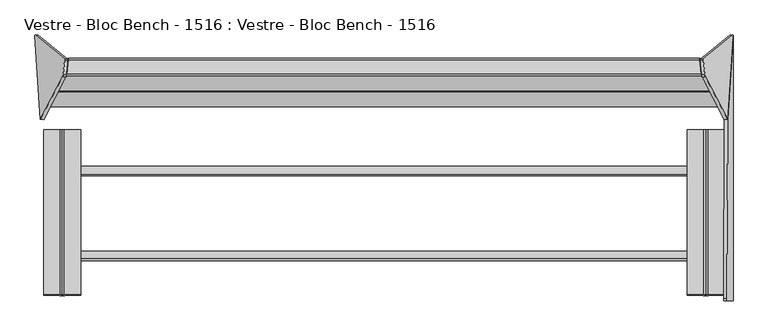
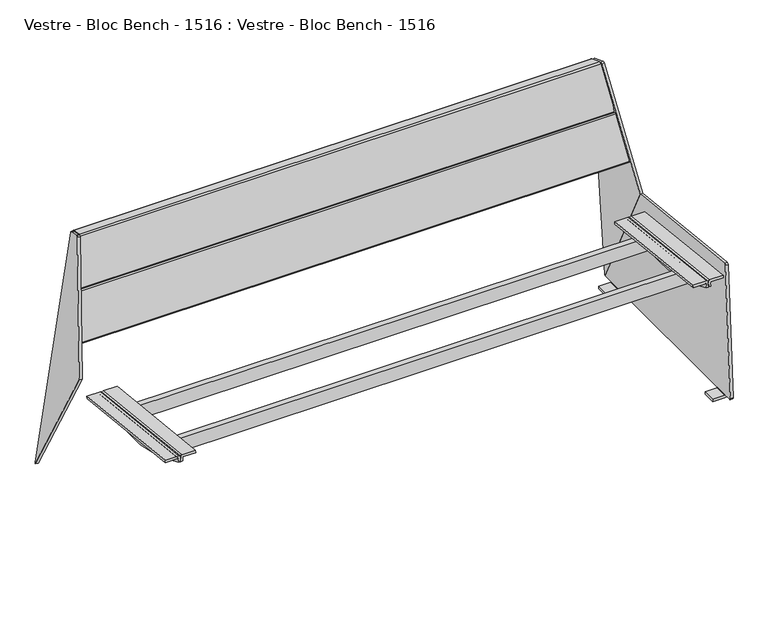
"""IFC4 building model written with IfcOpenShell, lengths in millimetres: furniture geometry, Vestre - Bloc Bench - 1516 : Vestre - Bloc Bench - 1516."""

from ifc_helpers import new_model, si_unit, frame, origin, place, context, project, spatial, polyline, circle_curve, ellipse_curve, outline, extrude, source, transform, mapped, element, save
from ifc_brep_helpers import plane_surface, cylinder_surface, revolved_surface, advanced_brep


def vestre_bloc_bench_1516_vestre_bloc_bench_1516_2a947542(model_context):
    return source(origin(), model_context, "Body", "SolidModel", [
        extrude(outline(polyline([(0.0, -19.9999999), (0.0, 0.0), (1612.8148813, 0.0), (1612.8148813, -19.9999999), (0.0, -19.9999999)])), frame((806.271869, -17.9230139, 331.2273795), z_axis=(0.0, 0.10862274800818965, 0.9940830441241564), x_axis=(-1.0, 0.0, 0.0)), (0.0, 0.0, 1.0), 40.0),
        extrude(outline(polyline([(0.0, -20.0), (0.0, 0.0), (1612.8148813, 0.0), (1612.8148813, -20.0), (0.0, -20.0)])), frame((806.271869, -232.1337214, 354.6340312), z_axis=(0.0, 0.10862274800818968, 0.9940830441241564), x_axis=(-1.0, 0.0, 0.0)), (0.0, 0.0, 1.0), 40.0),
        advanced_brep(
        [(766.5577736, -318.9102447, 412.772865), (766.5577736, -319.7193007, 405.3521172), (805.5963377, -319.7193007, 405.3521172), (806.5474184, -319.8223825, 404.4066392), (806.5474184, -321.0984876, 392.7020678), (812.5430123, -321.0984876, 392.7020678), (812.5430123, -319.8564605, 404.0940726), (812.5430123, -319.3437805, 408.7964286), (808.5430123, -318.9102447, 412.772865), (766.5577736, 98.750138, 367.236938), (808.5430123, 98.750138, 367.236938), (812.5430123, 98.3166022, 363.2605016), (812.5430123, 97.8039221, 358.5581456), (812.5430123, 96.5595156, 347.1443157), (806.5474184, 96.5595156, 347.1443157), (806.5474184, 97.8380001, 358.8707122), (805.5963377, 97.941082, 359.8161902), (766.5577736, 97.941082, 359.8161902)],
        [
            (0, 1),
            (1, 2),
            (2, 3, circle_curve(frame((805.5963377, -319.8223825, 404.4066392), z_axis=(0.0, 0.9941091089617909, -0.10838394474826071), x_axis=(0.0, -0.10838394474826071, -0.9941091089617909)), 0.9510807)),
            (3, 4),
            (4, 5),
            (5, 6),
            (6, 7),
            (7, 8, circle_curve(frame((808.5430123, -319.3437805, 408.7964286), z_axis=(0.0, -0.9941091089617909, 0.10838394474826071), x_axis=(0.0, -0.10838394474826071, -0.9941091089617909)), 4.0)),
            (8, 0),
            (9, 10),
            (10, 11, circle_curve(frame((808.5430123, 98.3166022, 363.2605016), z_axis=(0.0, 0.9941091089617909, -0.10838394474826071), x_axis=(0.0, -0.10838394474826071, -0.9941091089617909)), 4.0)),
            (11, 12),
            (12, 13),
            (13, 14),
            (14, 15),
            (15, 16, circle_curve(frame((805.5963377, 97.8380001, 358.8707122), z_axis=(0.0, -0.9941091089617909, 0.10838394474826071), x_axis=(0.0, -0.10838394474826071, -0.9941091089617909)), 0.9510807)),
            (16, 17),
            (17, 9),
            (0, 9),
            (17, 1),
            (16, 2),
            (15, 3),
            (14, 4, circle_curve(frame((806.5474184, -59.7670647, 851.2475639), z_axis=(-1.0, 0.0, 0.0), x_axis=(0.0, -1.0, 0.0)), 527.7860216)),
            (5, 13, circle_curve(frame((812.5430123, -59.7670647, 851.2475639), z_axis=(1.0, 0.0, 0.0), x_axis=(0.0, -1.0, 0.0)), 527.7860216)),
            (12, 6),
            (11, 7),
            (10, 8),
        ],
        [
            plane_surface(frame((766.5577736, -319.8423819, 404.223203), z_axis=(0.0, -0.9941091089617909, 0.10838394474826071), x_axis=(0.0, -0.10838394474826071, -0.9941091089617909))),
            plane_surface(frame((766.5577736, 97.8180007, 358.6872759), z_axis=(0.0, 0.9941091089617909, -0.10838394474826071), x_axis=(0.0, 0.10838394474826071, 0.9941091089617909))),
            plane_surface(frame((766.5577736, -318.9102447, 412.772865), z_axis=(-1.0000000000000002, 0.0, 0.0), x_axis=(0.0, 0.994109108961791, -0.10838394474826066))),
            plane_surface(frame((766.5577736, -319.7193007, 405.3521172), z_axis=(0.0, -0.10838394474826069, -0.994109108961791), x_axis=(0.0, 0.994109108961791, -0.10838394474826069))),
            revolved_surface(polyline([(805.5963377, 97.73491824228601, 357.9252342105562), (805.5963377, -319.92546445485533, 403.46116123677587)]), (805.5963377, 97.8380001, 358.8707122), (0.0, 0.9941091089617909, -0.10838394474826071)),
            plane_surface(frame((806.5474184, -319.8223825, 404.4066392), z_axis=(-1.0000000000000002, 0.0, 0.0), x_axis=(0.0, 0.994109108961791, -0.10838394474826064))),
            plane_surface(frame((812.5430123, -320.2027771, 400.9176199), z_axis=(1.0000000000000002, 0.0, 0.0), x_axis=(0.0, 0.994109108961791, -0.10838394474826066))),
            plane_surface(frame((812.5430123, -319.8564605, 404.0940726), z_axis=(1.0000000000000002, 0.0, 0.0), x_axis=(0.0, 0.994109108961791, -0.10838394474826066))),
            cylinder_surface(frame((808.5430123, 98.3166022, 363.2605016), z_axis=(0.0, -0.9941091089617909, 0.10838394474826071), x_axis=(0.0, -0.10838394474826071, -0.9941091089617909)), 4.0),
            plane_surface(frame((808.5430123, -318.9102447, 412.772865), z_axis=(0.0, 0.10838394474826066, 0.994109108961791), x_axis=(0.0, 0.994109108961791, -0.10838394474826066))),
            cylinder_surface(frame((806.5474184, -59.7670647, 851.2475639), z_axis=(1.0, 0.0, 0.0), x_axis=(0.0, -1.0, 0.0)), 527.7860216),
        ],
        [
            (0, [[1, 2, 3, 4, 5, 6, 7, 8, 9]]),
            (1, [[10, 11, 12, 13, 14, 15, 16, 17, 18]]),
            (2, [[-1, 19, -18, 20]]),
            (3, [[-2, -20, -17, 21]]),
            (4, [[-3, -21, -16, 22]]),
            (5, [[-4, -22, -15, 23]]),
            (6, [[-6, 24, -13, 25]]),
            (7, [[-7, -25, -12, 26]]),
            (8, [[-8, -26, -11, 27]]),
            (9, [[-9, -27, -10, -19]]),
            (10, [[-24, -5, -23, -14]]),
        ],
    ),
        advanced_brep(
        [(813.6175866, 96.5595156, 347.1443157), (813.6175866, -321.0984876, 392.7020678), (813.6175866, -319.360624, 408.6419375), (813.6175866, 98.2997586, 363.1060105), (819.6131806, -321.0984876, 392.7020678), (819.6131806, 96.5595156, 347.1443157), (819.6131806, 97.8380001, 358.8707122), (819.6131806, -319.8223825, 404.4066392), (820.5642613, -319.7193007, 405.3521172), (859.6028254, -319.7193007, 405.3521172), (859.6028254, -318.9270883, 412.6183739), (817.6175866, -318.9270883, 412.6183739), (817.6175866, 98.7332944, 367.0824469), (859.6028254, 98.7332944, 367.0824469), (859.6028254, 97.941082, 359.8161902), (820.5642613, 97.941082, 359.8161902)],
        [
            (0, 1, circle_curve(frame((813.6175866, -59.7670647, 851.2475639), z_axis=(-1.0, 0.0, 0.0), x_axis=(0.0, -1.0, 0.0)), 527.7860216)),
            (1, 2),
            (2, 3),
            (3, 0),
            (4, 5, circle_curve(frame((819.6131806, -59.7670647, 851.2475639), z_axis=(1.0, 0.0, 0.0), x_axis=(0.0, -1.0, 0.0)), 527.7860216)),
            (5, 6),
            (6, 7),
            (7, 4),
            (1, 4),
            (7, 8, circle_curve(frame((820.5642613, -319.8223825, 404.4066392), z_axis=(0.0, 0.9941091089617909, -0.10838394474826071), x_axis=(0.0, -0.10838394474826071, -0.9941091089617909)), 0.9510807)),
            (8, 9),
            (9, 10),
            (10, 11),
            (11, 2, circle_curve(frame((817.6175866, -319.360624, 408.6419375), z_axis=(0.0, -0.9941091089617909, 0.10838394474826071), x_axis=(0.0, -0.10838394474826071, -0.9941091089617909)), 4.0)),
            (0, 5),
            (3, 12, circle_curve(frame((817.6175866, 98.2997586, 363.1060105), z_axis=(0.0, 0.9941091089617909, -0.10838394474826071), x_axis=(0.0, -0.10838394474826071, -0.9941091089617909)), 4.0)),
            (12, 13),
            (13, 14),
            (14, 15),
            (15, 6, circle_curve(frame((820.5642613, 97.8380001, 358.8707122), z_axis=(0.0, -0.9941091089617909, 0.10838394474826071), x_axis=(0.0, -0.10838394474826071, -0.9941091089617909)), 0.9510807)),
            (9, 14),
            (13, 10),
            (8, 15),
            (11, 12),
        ],
        [
            plane_surface(frame((813.6175866, 97.8039221, 358.5581456), z_axis=(-1.0, 0.0, 0.0), x_axis=(0.0, 0.9941091089617913, -0.10838394474825762))),
            plane_surface(frame((819.6131806, 97.8039221, 358.5581456), z_axis=(1.0, 0.0, 0.0), x_axis=(0.0, -0.9941091089617913, 0.10838394474825762))),
            plane_surface(frame((813.6175866, -321.0984876, 392.7020678), z_axis=(0.0, -0.9941091089617909, 0.10838394474826071), x_axis=(1.0, 0.0, 0.0))),
            cylinder_surface(frame((819.6131806, -59.7670647, 851.2475639), z_axis=(-1.0, 0.0, 0.0), x_axis=(0.0, -1.0, 0.0)), 527.7860216),
            plane_surface(frame((813.6175866, 97.8039221, 358.5581456), z_axis=(0.0, 0.9941091089617916, -0.10838394474825458), x_axis=(1.0, 0.0, 0.0))),
            plane_surface(frame((859.6028254, -319.7193007, 405.3521172), z_axis=(1.0000000000000002, 0.0, 0.0), x_axis=(0.0, 0.994109108961791, -0.10838394474826066))),
            plane_surface(frame((820.5642613, -319.7193007, 405.3521172), z_axis=(0.0, -0.10838394474826066, -0.994109108961791), x_axis=(0.0, 0.994109108961791, -0.10838394474826066))),
            revolved_surface(polyline([(820.5642613, 97.73491824228601, 357.9252342105562), (820.5642613, -319.92546445485533, 403.46116123677587)]), (820.5642613, 97.8380001, 358.8707122), (0.0, 0.9941091089617909, -0.10838394474826071)),
            cylinder_surface(frame((817.6175866, 98.2997586, 363.1060105), z_axis=(0.0, -0.9941091089617909, 0.10838394474826071), x_axis=(0.0, -0.10838394474826071, -0.9941091089617909)), 4.0),
            plane_surface(frame((859.6028254, -318.9270883, 412.6183739), z_axis=(0.0, 0.10838394474826066, 0.994109108961791), x_axis=(0.0, 0.994109108961791, -0.10838394474826066))),
        ],
        [
            (0, [[1, 2, 3, 4]]),
            (1, [[5, 6, 7, 8]]),
            (2, [[-2, 9, -8, 10, 11, 12, 13, 14]]),
            (3, [[-1, 15, -5, -9]]),
            (4, [[-6, -15, -4, 16, 17, 18, 19, 20]]),
            (5, [[-12, 21, -18, 22]]),
            (6, [[-11, 23, -19, -21]]),
            (7, [[-10, -7, -20, -23]]),
            (8, [[-14, 24, -16, -3]]),
            (9, [[-13, -22, -17, -24]]),
        ],
    ),
        advanced_brep(
        [(-766.5577736, -318.8898286, 412.9601231), (-808.5430123, -318.8898286, 412.9601231), (-812.5430123, -319.3233644, 408.9836866), (-812.5430123, -319.8564605, 404.0940726), (-812.5430123, -321.0984876, 392.7020678), (-806.5474184, -321.0984876, 392.7020678), (-806.5474184, -319.8223825, 404.4066392), (-805.5963377, -319.7193007, 405.3521172), (-766.5577736, -319.7193007, 405.3521172), (-766.5577736, 98.770554, 367.4241961), (-766.5577736, 97.941082, 359.8161902), (-805.5963377, 97.941082, 359.8161902), (-806.5474184, 97.8380001, 358.8707122), (-806.5474184, 96.5595156, 347.1443157), (-812.5430123, 96.5595156, 347.1443157), (-812.5430123, 97.8039221, 358.5581456), (-812.5430123, 98.3370182, 363.4477596), (-808.5430123, 98.770554, 367.4241961)],
        [
            (0, 1),
            (1, 2, circle_curve(frame((-808.5430123, -319.3233644, 408.9836866), z_axis=(0.0, -0.9941091089617909, 0.10838394474826071), x_axis=(0.0, -0.10838394474826071, -0.9941091089617909)), 4.0)),
            (2, 3),
            (3, 4),
            (4, 5),
            (5, 6),
            (6, 7, circle_curve(frame((-805.5963377, -319.8223825, 404.4066392), z_axis=(0.0, 0.9941091089617909, -0.10838394474826071), x_axis=(0.0, -0.10838394474826071, -0.9941091089617909)), 0.9510807)),
            (7, 8),
            (8, 0),
            (9, 10),
            (10, 11),
            (11, 12, circle_curve(frame((-805.5963377, 97.8380001, 358.8707122), z_axis=(0.0, -0.9941091089617909, 0.10838394474826071), x_axis=(0.0, -0.10838394474826071, -0.9941091089617909)), 0.9510807)),
            (12, 13),
            (13, 14),
            (14, 15),
            (15, 16),
            (16, 17, circle_curve(frame((-808.5430123, 98.3370182, 363.4477596), z_axis=(0.0, 0.9941091089617909, -0.10838394474826071), x_axis=(0.0, -0.10838394474826071, -0.9941091089617909)), 4.0)),
            (17, 9),
            (8, 10),
            (9, 0),
            (7, 11),
            (6, 12),
            (5, 13, circle_curve(frame((-806.5474184, -59.7670647, 851.2475639), z_axis=(1.0, 0.0, 0.0), x_axis=(0.0, -1.0, 0.0)), 527.7860216)),
            (3, 15),
            (14, 4, circle_curve(frame((-812.5430123, -59.7670647, 851.2475639), z_axis=(-1.0, 0.0, 0.0), x_axis=(0.0, -1.0, 0.0)), 527.7860216)),
            (2, 16),
            (1, 17),
        ],
        [
            plane_surface(frame((-812.5430123, -318.8898286, 412.9601231), z_axis=(0.0, -0.9941091089617909, 0.10838394474826071), x_axis=(-1.0, 0.0, 0.0))),
            plane_surface(frame((-812.5430123, 98.770554, 367.4241961), z_axis=(0.0, 0.9941091089617909, -0.10838394474826071), x_axis=(1.0, 0.0, 0.0))),
            plane_surface(frame((-766.5577736, -319.7193007, 405.3521172), z_axis=(1.0000000000000002, 0.0, 0.0), x_axis=(0.0, 0.994109108961791, -0.10838394474826069))),
            plane_surface(frame((-805.5963377, -319.7193007, 405.3521172), z_axis=(0.0, -0.10838394474826069, -0.994109108961791), x_axis=(0.0, 0.994109108961791, -0.10838394474826069))),
            revolved_surface(polyline([(-805.5963377, 97.73491824228601, 357.9252342105562), (-805.5963377, -319.92546445485533, 403.46116123677587)]), (-805.5963377, 97.8380001, 358.8707122), (0.0, 0.9941091089617909, -0.10838394474826071)),
            plane_surface(frame((-806.5474184, -320.2027771, 400.9176199), z_axis=(1.0000000000000002, 0.0, 0.0), x_axis=(0.0, 0.994109108961791, -0.10838394474826066))),
            plane_surface(frame((-812.5430123, -319.8564605, 404.0940726), z_axis=(-1.0000000000000002, 0.0, 0.0), x_axis=(0.0, 0.994109108961791, -0.10838394474826066))),
            plane_surface(frame((-812.5430123, -319.3233644, 408.9836866), z_axis=(-1.0000000000000002, 0.0, 0.0), x_axis=(0.0, 0.994109108961791, -0.10838394474826066))),
            cylinder_surface(frame((-808.5430123, 98.3370182, 363.4477596), z_axis=(0.0, -0.9941091089617909, 0.10838394474826071), x_axis=(0.0, -0.10838394474826071, -0.9941091089617909)), 4.0),
            plane_surface(frame((-766.5577736, -318.8898286, 412.9601231), z_axis=(0.0, 0.10838394474826066, 0.994109108961791), x_axis=(0.0, 0.994109108961791, -0.10838394474826066))),
            cylinder_surface(frame((-806.5474184, -59.7670647, 851.2475639), z_axis=(-1.0, 0.0, 0.0), x_axis=(0.0, -1.0, 0.0)), 527.7860216),
        ],
        [
            (0, [[1, 2, 3, 4, 5, 6, 7, 8, 9]]),
            (1, [[10, 11, 12, 13, 14, 15, 16, 17, 18]]),
            (2, [[-9, 19, -10, 20]]),
            (3, [[-8, 21, -11, -19]]),
            (4, [[-7, 22, -12, -21]]),
            (5, [[-13, -22, -6, 23]]),
            (6, [[-4, 24, -15, 25]]),
            (7, [[-3, 26, -16, -24]]),
            (8, [[-2, 27, -17, -26]]),
            (9, [[-1, -20, -18, -27]]),
            (10, [[-25, -14, -23, -5]]),
        ],
    ),
        advanced_brep(
        [(-813.6175866, -321.0984876, 392.7020678), (-813.6175866, 96.5595156, 347.1443157), (-813.6175866, 98.3286043, 363.3705861), (-813.6175866, -319.3317784, 408.9065131), (-819.6131806, 96.5595156, 347.1443157), (-819.6131806, -321.0984876, 392.7020678), (-819.6131806, -319.8223825, 404.4066392), (-819.6131806, 97.8380001, 358.8707122), (-817.6175866, -318.8982426, 412.8829495), (-859.6028254, -318.8982426, 412.8829495), (-859.6028254, -319.7193007, 405.3521172), (-820.5642613, -319.7193007, 405.3521172), (-820.5642613, 97.941082, 359.8161902), (-859.6028254, 97.941082, 359.8161902), (-859.6028254, 98.76214, 367.3470225), (-817.6175866, 98.76214, 367.3470225)],
        [
            (0, 1, circle_curve(frame((-813.6175866, -59.7670647, 851.2475639), z_axis=(1.0, 0.0, 0.0), x_axis=(0.0, -1.0, 0.0)), 527.7860216)),
            (1, 2),
            (2, 3),
            (3, 0),
            (4, 5, circle_curve(frame((-819.6131806, -59.7670647, 851.2475639), z_axis=(-1.0, 0.0, 0.0), x_axis=(0.0, -1.0, 0.0)), 527.7860216)),
            (5, 6),
            (6, 7),
            (7, 4),
            (5, 0),
            (3, 8, circle_curve(frame((-817.6175866, -319.3317784, 408.9065131), z_axis=(0.0, -0.9941091089617909, 0.10838394474826071), x_axis=(0.0, -0.10838394474826071, -0.9941091089617909)), 4.0)),
            (8, 9),
            (9, 10),
            (10, 11),
            (11, 6, circle_curve(frame((-820.5642613, -319.8223825, 404.4066392), z_axis=(0.0, 0.9941091089617909, -0.10838394474826071), x_axis=(0.0, -0.10838394474826071, -0.9941091089617909)), 0.9510807)),
            (4, 1),
            (7, 12, circle_curve(frame((-820.5642613, 97.8380001, 358.8707122), z_axis=(0.0, -0.9941091089617909, 0.10838394474826071), x_axis=(0.0, -0.10838394474826071, -0.9941091089617909)), 0.9510807)),
            (12, 13),
            (13, 14),
            (14, 15),
            (15, 2, circle_curve(frame((-817.6175866, 98.3286043, 363.3705861), z_axis=(0.0, 0.9941091089617909, -0.10838394474826071), x_axis=(0.0, -0.10838394474826071, -0.9941091089617909)), 4.0)),
            (9, 14),
            (13, 10),
            (12, 11),
            (15, 8),
        ],
        [
            plane_surface(frame((-813.6175866, -319.8564605, 404.0940726), z_axis=(1.0, 0.0, 0.0), x_axis=(0.0, -0.10838394474826071, -0.9941091089617909))),
            plane_surface(frame((-819.6131806, -319.8564605, 404.0940726), z_axis=(-1.0, 0.0, 0.0), x_axis=(0.0, 0.10838394474826071, 0.9941091089617909))),
            plane_surface(frame((-813.6175866, -319.8564605, 404.0940726), z_axis=(0.0, -0.9941091089617909, 0.10838394474826071), x_axis=(-1.0, 0.0, 0.0))),
            cylinder_surface(frame((-819.6131806, -59.7670647, 851.2475639), z_axis=(1.0, 0.0, 0.0), x_axis=(0.0, -1.0, 0.0)), 527.7860216),
            plane_surface(frame((-813.6175866, 96.5595156, 347.1443157), z_axis=(0.0, 0.9941091089617916, -0.10838394474825458), x_axis=(-1.0, 0.0, 0.0))),
            plane_surface(frame((-859.6028254, -318.8982426, 412.8829495), z_axis=(-1.0000000000000002, 0.0, 0.0), x_axis=(0.0, 0.994109108961791, -0.10838394474826066))),
            plane_surface(frame((-859.6028254, -319.7193007, 405.3521172), z_axis=(0.0, -0.10838394474826069, -0.994109108961791), x_axis=(0.0, 0.994109108961791, -0.10838394474826069))),
            revolved_surface(polyline([(-820.5642613, 97.73491824228601, 357.9252342105562), (-820.5642613, -319.92546445485533, 403.46116123677587)]), (-820.5642613, 97.8380001, 358.8707122), (0.0, 0.9941091089617909, -0.10838394474826071)),
            cylinder_surface(frame((-817.6175866, 98.3286043, 363.3705861), z_axis=(0.0, -0.9941091089617909, 0.10838394474826071), x_axis=(0.0, -0.10838394474826071, -0.9941091089617909)), 4.0),
            plane_surface(frame((-817.6175866, -318.8982426, 412.8829495), z_axis=(0.0, 0.10838394474826066, 0.994109108961791), x_axis=(0.0, 0.994109108961791, -0.10838394474826066))),
        ],
        [
            (0, [[1, 2, 3, 4]]),
            (1, [[5, 6, 7, 8]]),
            (2, [[-6, 9, -4, 10, 11, 12, 13, 14]]),
            (3, [[-1, -9, -5, 15]]),
            (4, [[-2, -15, -8, 16, 17, 18, 19, 20]]),
            (5, [[-12, 21, -18, 22]]),
            (6, [[-13, -22, -17, 23]]),
            (7, [[-14, -23, -16, -7]]),
            (8, [[-10, -3, -20, 24]]),
            (9, [[-11, -24, -19, -21]]),
        ],
    ),
        advanced_brep(
        [(811.6158149, 233.1863633, 787.1699382), (868.2169692, 124.8996282, 408.9101314), (882.104729, 336.1005897, 11.2206695), (881.4400564, 337.9713039, 14.8944279), (806.7828016, 277.1577, 774.9426086), (806.7918101, 274.3357333, 778.4787482), (810.6337482, 238.1221055, 789.8133119), (803.7395972, 232.080936, 786.3078325), (802.7575305, 237.0166783, 788.9512062), (798.9155925, 273.230306, 777.6166426), (798.906584, 276.0522727, 774.080503), (873.5638388, 336.8658767, 14.0323223), (874.2285114, 334.9951625, 10.3585639), (860.3407516, 123.794201, 408.0480257), (838.5244284, 204.7361248, 503.5754184), (800.8552394, 274.6488012, 758.0771287), (801.7672166, 266.3758239, 760.3532344), (839.4364056, 196.4631475, 505.8515241), (791.810201, 204.6514703, 503.507711), (783.8789303, 206.4556344, 510.1111606), (747.7201407, 272.1297789, 749.187405), (755.6213648, 274.5668293, 758.0115669), (755.6330628, 266.2922205, 760.2863677), (747.7318387, 263.8551701, 751.4622058), (783.8906283, 198.1810256, 512.3859614), (791.821899, 196.3768615, 505.7825119)],
        [
            (0, 1),
            (1, 2),
            (2, 3, circle_curve(frame((882.0221991, 334.025159, 14.6358678), z_axis=(0.9845272064646956, 0.1381784067166262, 0.10776320173453151), x_axis=(0.10809843818608315, 0.005098251508800459, -0.9941271224009949)), 3.9972244)),
            (3, 4),
            (4, 5, circle_curve(frame((807.3653485, 273.2088149, 774.683869), z_axis=(0.9845272064646956, 0.1381784067166262, 0.10776320173453151), x_axis=(0.10809843818608315, 0.005098251508800459, -0.9941271224009949)), 4.0)),
            (5, 6),
            (6, 0, circle_curve(frame((811.2072865, 236.9951872, 786.0184326), z_axis=(0.9845272064646956, 0.1381784067166262, 0.10776320173453151), x_axis=(0.10809843818608315, 0.005098251508800459, -0.9941271224009949)), 4.0)),
            (7, 8, circle_curve(frame((803.3310689, 235.8897599, 785.156327), z_axis=(-0.9845272064646956, -0.1381784067166262, -0.10776320173453151), x_axis=(0.10809843818608315, 0.005098251508800459, -0.9941271224009949)), 4.0)),
            (8, 9),
            (9, 10, circle_curve(frame((799.4891308, 272.1033877, 773.8217633), z_axis=(-0.9845272064646956, -0.1381784067166262, -0.10776320173453151), x_axis=(0.10809843818608315, 0.005098251508800459, -0.9941271224009949)), 4.0)),
            (10, 11),
            (11, 12, circle_curve(frame((874.1459814, 332.9197317, 13.7737622), z_axis=(-0.9845272064646956, -0.1381784067166262, -0.10776320173453151), x_axis=(0.10809843818608315, 0.005098251508800459, -0.9941271224009949)), 3.9972244)),
            (12, 13),
            (13, 7),
            (14, 15),
            (15, 16),
            (16, 17),
            (17, 14),
            (6, 8),
            (7, 0),
            (5, 9),
            (4, 10),
            (3, 11),
            (2, 12),
            (1, 13),
            (18, 19, circle_curve(frame((791.7951777, 206.7720776, 511.2215168), z_axis=(-0.0013631459484884367, 0.9642258427672697, -0.26507860338562145), x_axis=(-0.14431455675225052, 0.2621142782788856, 0.9541852093968657)), 8.0)),
            (19, 20),
            (20, 21, circle_curve(frame((755.6363881, 272.446222, 750.2977612), z_axis=(-0.0013631459484884367, 0.9642258427672697, -0.26507860338562145), x_axis=(-0.14431455675225052, 0.2621142782788856, 0.9541852093968657)), 8.0)),
            (21, 15),
            (14, 18),
            (22, 23, circle_curve(frame((755.6480861, 264.1716132, 752.572562), z_axis=(0.0013631459484884367, -0.9642258427672697, 0.26507860338562145), x_axis=(-0.14431455675225052, 0.2621142782788856, 0.9541852093968657)), 8.0)),
            (23, 24),
            (24, 25, circle_curve(frame((791.8068757, 198.4974688, 513.4963176), z_axis=(0.0013631459484884367, -0.9642258427672697, 0.26507860338562145), x_axis=(-0.14431455675225052, 0.2621142782788856, 0.9541852093968657)), 8.0)),
            (25, 17),
            (16, 22),
            (20, 23),
            (22, 21),
            (19, 24),
            (18, 25),
        ],
        [
            plane_surface(frame((867.9425476, 125.4246391, 410.7440634), z_axis=(0.9845272064646957, 0.13817840671662623, 0.10776320173453155), x_axis=(0.14239106626947698, -0.2724160636486588, -0.9515851367653928))),
            plane_surface(frame((860.06633, 124.3192118, 409.8819577), z_axis=(-0.9845272064646957, -0.13817840671662623, -0.10776320173453155), x_axis=(-0.14239106626947698, 0.2724160636486588, 0.9515851367653928))),
            cylinder_surface(frame((803.3310689, 235.8897599, 785.156327), z_axis=(0.9845272064646956, 0.1381784067166262, 0.10776320173453151), x_axis=(0.10809843818608315, 0.005098251508800459, -0.9941271224009949)), 4.0),
            plane_surface(frame((806.7918101, 274.3357333, 778.4787482), z_axis=(-0.14338459124458663, 0.28172958840366497, 0.9487198206064447), x_axis=(-0.9845272064646949, -0.13817840671662657, -0.10776320173453655))),
            cylinder_surface(frame((799.4891308, 272.1033877, 773.8217633), z_axis=(0.9845272064646956, 0.1381784067166262, 0.10776320173453151), x_axis=(0.10809843818608315, 0.005098251508800459, -0.9941271224009949)), 4.0),
            plane_surface(frame((881.4400564, 337.9713039, 14.8944279), z_axis=(-0.14563671969423442, 0.9872212562883779, 0.06468490557386725), x_axis=(-0.9845272064646956, -0.13817840671662243, -0.10776320173453661))),
            cylinder_surface(frame((874.1459814, 332.9197317, 13.7737622), z_axis=(0.9845272064646956, 0.1381784067166262, 0.10776320173453151), x_axis=(0.10809843818608315, 0.005098251508800459, -0.9941271224009949)), 3.9972244),
            plane_surface(frame((868.2169692, 124.8996282, 408.9101314), z_axis=(0.17249891043919782, -0.8724250405319156, -0.4572949535586142), x_axis=(-0.9845272064646959, -0.1381784067166267, -0.10776320173452819))),
            plane_surface(frame((811.6158149, 233.1863633, 787.1699382), z_axis=(0.10213209083077515, -0.9522059736125492, 0.28787639680792154), x_axis=(-0.9845272064646963, -0.13817840671663098, -0.10776320173451977))),
            plane_surface(frame((804.61599, 274.6556164, 758.0825795), z_axis=(-0.00136314594848843, 0.9642258427672699, -0.26507860338562156), x_axis=(0.9999973076401405, 0.0018121741131798574, 0.001449392098063703))),
            plane_surface(frame((804.627688, 266.3810076, 760.3573804), z_axis=(0.00136314594848843, -0.9642258427672699, 0.26507860338562156), x_axis=(-0.9999973076401405, -0.0018121741131798574, -0.001449392098063703))),
            cylinder_surface(frame((755.6480861, 264.1716132, 752.572562), z_axis=(-0.0013631459484884367, 0.9642258427672697, -0.26507860338562145), x_axis=(-0.14431455675225052, 0.2621142782788856, 0.9541852093968657)), 8.0),
            plane_surface(frame((783.8789303, 206.4556344, 510.1111606), z_axis=(-0.9895309245003535, -0.03955539485440417, -0.13879452509154666), x_axis=(0.001363145948494428, -0.9642258427672704, 0.2650786033856188))),
            cylinder_surface(frame((791.8068757, 198.4974688, 513.4963176), z_axis=(-0.0013631459484884367, 0.9642258427672697, -0.26507860338562145), x_axis=(-0.14431455675225052, 0.2621142782788856, 0.9541852093968657)), 8.0),
            plane_surface(frame((842.2232186, 204.7428277, 503.5807795), z_axis=(0.0018779099002744347, -0.2650759139656611, -0.964225716982116), x_axis=(0.001363145948494428, -0.9642258427672704, 0.2650786033856188))),
            plane_surface(frame((755.6213648, 274.5668293, 758.0115669), z_axis=(-0.0018779099002689853, 0.26507591396566116, 0.9642257169821161), x_axis=(0.001363145948494428, -0.9642258427672704, 0.2650786033856188))),
        ],
        [
            (0, [[1, 2, 3, 4, 5, 6, 7]]),
            (1, [[8, 9, 10, 11, 12, 13, 14], [15, 16, 17, 18]]),
            (2, [[-7, 19, -8, 20]]),
            (3, [[-6, 21, -9, -19]]),
            (4, [[-5, 22, -10, -21]]),
            (5, [[-4, 23, -11, -22]]),
            (6, [[-3, 24, -12, -23]]),
            (7, [[-2, 25, -13, -24]]),
            (8, [[-1, -20, -14, -25]]),
            (9, [[26, 27, 28, 29, -15, 30]]),
            (10, [[31, 32, 33, 34, -17, 35]]),
            (11, [[-28, 36, -31, 37]]),
            (12, [[-27, 38, -32, -36]]),
            (13, [[-26, 39, -33, -38]]),
            (14, [[-39, -30, -18, -34]]),
            (15, [[-37, -35, -16, -29]]),
        ],
    ),
        advanced_brep(
        [(821.0571971, 196.7361984, 647.161358), (821.0571971, 199.5337159, 642.2446859), (821.0571971, 226.9101316, 634.7240411), (821.0571971, 202.069438, 666.5757995), (-819.8355508, 235.2118319, 632.4434599), (-818.8392813, 240.1285396, 635.2409978), (819.1454089, 240.1285396, 635.2409978), (820.1416785, 235.2118319, 632.4434599), (-798.1878321, 278.4569523, 774.7668691), (798.4939597, 278.4569523, 774.7668691), (-798.0423005, 275.659435, 779.6835409), (798.3484281, 275.659435, 779.6835409), (-801.9769125, 239.9813274, 789.4847667), (802.2830401, 239.9813274, 789.4847667), (-802.973182, 235.0646195, 786.687229), (803.2793097, 235.0646195, 786.687229), (-823.6246324, 196.7361984, 647.161358), (-823.770164, 199.5337159, 642.2446859)],
        [
            (0, 1, circle_curve(frame((821.0571971, 200.593311, 646.1017908), z_axis=(1.0, 0.0, 0.0), x_axis=(0.0, -1.0, 0.0)), 4.0)),
            (1, 2),
            (2, 3),
            (3, 0),
            (4, 5, ellipse_curve(frame((-819.2646503, 236.271427, 636.3005648), z_axis=(0.9845272064646965, -0.13817840671662354, -0.10776320173452703), x_axis=(0.17523178858535002, 0.776345444263947, 0.6054598016712538)), 4.0628639, 4.0)),
            (5, 6),
            (6, 7, ellipse_curve(frame((819.5707779, 236.271427, 636.3005648), z_axis=(-0.9845272064646966, -0.1381784067166235, -0.10776320173452701), x_axis=(0.17523178858534882, -0.776345444263947, -0.605459801671254)), 4.0628639, 4.0)),
            (7, 4),
            (5, 8),
            (8, 9),
            (9, 6),
            (8, 10, ellipse_curve(frame((-798.613201, 274.5998397, 775.8264361), z_axis=(0.9845272064646965, -0.13817840671662354, -0.10776320173452703), x_axis=(0.17523178858535002, 0.776345444263947, 0.6054598016712538)), 4.0628639, 4.0)),
            (10, 11),
            (11, 9, ellipse_curve(frame((798.9193287, 274.5998397, 775.8264361), z_axis=(-0.9845272064646966, -0.1381784067166235, -0.10776320173452701), x_axis=(0.17523178858534882, -0.776345444263947, -0.605459801671254)), 4.0628639, 4.0)),
            (10, 12),
            (12, 13),
            (13, 11),
            (12, 14, ellipse_curve(frame((-802.5478131, 238.921732, 785.6276619), z_axis=(0.9845272064646965, -0.13817840671662354, -0.10776320173452703), x_axis=(0.17523178858535002, 0.776345444263947, 0.6054598016712538)), 4.0628639, 4.0)),
            (14, 15),
            (15, 13, ellipse_curve(frame((802.8539407, 238.921732, 785.6276619), z_axis=(-0.9845272064646966, -0.1381784067166235, -0.10776320173452701), x_axis=(0.17523178858534882, -0.776345444263947, -0.605459801671254)), 4.0628639, 4.0)),
            (16, 0),
            (3, 15),
            (14, 16),
            (16, 17, ellipse_curve(frame((-823.1992635, 200.593311, 646.1017908), z_axis=(0.9845272064646965, -0.13817840671662354, -0.10776320173452703), x_axis=(0.17523178858535002, 0.776345444263947, 0.6054598016712538)), 4.0628639, 4.0)),
            (17, 1),
            (17, 4),
            (7, 2),
        ],
        [
            plane_surface(frame((821.0571971, 232.271427, 636.3005648), z_axis=(1.0, 0.0, 0.0), x_axis=(0.0, 0.0, -1.0))),
            cylinder_surface(frame((-826.6787284, 236.271427, 636.3005648), z_axis=(1.0, 0.0, 0.0), x_axis=(0.0, -1.0, 0.0)), 4.0),
            plane_surface(frame((821.0571971, 240.1285396, 635.2409978), z_axis=(0.0, 0.9642781573688652, -0.2648917424558683), x_axis=(-1.0, 0.0, 0.0))),
            cylinder_surface(frame((-826.6787284, 274.5998397, 775.8264361), z_axis=(1.0, 0.0, 0.0), x_axis=(0.0, -1.0, 0.0)), 4.0),
            plane_surface(frame((821.0571971, 275.659435, 779.6835409), z_axis=(0.0, 0.26489882655000385, 0.9642762113069216), x_axis=(-1.0, 0.0, 0.0))),
            cylinder_surface(frame((-826.6787284, 238.921732, 785.6276619), z_axis=(1.0, 0.0, 0.0), x_axis=(0.0, -1.0, 0.0)), 4.0),
            plane_surface(frame((821.0571971, 235.0646195, 786.687229), z_axis=(0.0, -0.9642781425237718, 0.2648917964960496), x_axis=(-1.0, 0.0, 0.0))),
            cylinder_surface(frame((-826.6787284, 200.593311, 646.1017908), z_axis=(1.0, 0.0, 0.0), x_axis=(0.0, -1.0, 0.0)), 4.0),
            plane_surface(frame((821.0571971, 199.5337159, 642.2446859), z_axis=(0.0, -0.26489877507604315, -0.9642762254474658), x_axis=(-1.0, 0.0, 0.0))),
            plane_surface(frame((-793.2522903, 301.2991797, 790.568855), z_axis=(-0.9845272064646965, 0.13817840671662354, 0.10776320173452703), x_axis=(-0.1021320908307662, -0.9522059736125505, 0.28787639680791977))),
            plane_surface(frame((841.2406356, 210.0994077, 471.8830622), z_axis=(0.9845272064646964, 0.13817840671662346, 0.10776320173452698), x_axis=(0.10213209083076616, -0.9522059736125505, 0.28787639680791965))),
        ],
        [
            (0, [[1, 2, 3, 4]]),
            (1, [[5, 6, 7, 8]]),
            (2, [[9, 10, 11, -6]]),
            (3, [[12, 13, 14, -10]]),
            (4, [[15, 16, 17, -13]]),
            (5, [[18, 19, 20, -16]]),
            (6, [[21, -4, 22, -19, 23]]),
            (7, [[-1, -21, 24, 25]]),
            (8, [[-25, 26, -8, 27, -2]]),
            (9, [[-5, -26, -24, -23, -18, -15, -12, -9]]),
            (10, [[-3, -27, -7, -11, -14, -17, -20, -22]]),
        ],
    ),
        advanced_brep(
        [(845.3239935, 156.6568701, 501.2614604), (845.3239935, 159.4543876, 496.3447884), (845.3239935, 162.6024309, 495.4799814), (845.3239935, 157.0311024, 502.6237678), (-841.4304217, 195.1325032, 486.5435624), (-840.4341521, 200.049211, 489.3411004), (840.7402797, 200.049211, 489.3411004), (841.7365493, 195.1325032, 486.5435624), (-819.9810703, 238.0094603, 627.5267565), (820.2871979, 238.0094603, 627.5267565), (-819.8355387, 235.2119429, 632.4434284), (820.1416663, 235.2119429, 632.4434284), (-823.7701507, 199.5338355, 642.2446541), (824.0762783, 199.5338355, 642.2446541), (-824.7664203, 194.6171277, 639.4471164), (825.0725479, 194.6171277, 639.4471164), (-845.2195032, 156.6568701, 501.2614604), (-845.3650348, 159.4543876, 496.3447884)],
        [
            (0, 1, circle_curve(frame((845.3239935, 160.5139827, 500.2018933), z_axis=(1.0, 0.0, 0.0), x_axis=(0.0, -1.0, 0.0)), 4.0)),
            (1, 2),
            (2, 3),
            (3, 0),
            (4, 5, ellipse_curve(frame((-840.8595211, 196.1920983, 490.4006673), z_axis=(0.9845272064646965, -0.13817840671662354, -0.10776320173452703), x_axis=(0.17523178858535002, 0.776345444263947, 0.6054598016712538)), 4.0628639, 4.0)),
            (5, 6),
            (6, 7, ellipse_curve(frame((841.1656487, 196.1920983, 490.4006673), z_axis=(-0.9845272064646966, -0.1381784067166235, -0.10776320173452701), x_axis=(0.17523178858534882, -0.776345444263947, -0.605459801671254)), 4.0628639, 4.0)),
            (7, 4),
            (5, 8),
            (8, 9),
            (9, 6),
            (8, 10, ellipse_curve(frame((-820.4064393, 234.1523476, 628.5863235), z_axis=(0.9845272064646965, -0.13817840671662354, -0.10776320173452703), x_axis=(0.17523178858535002, 0.776345444263947, 0.6054598016712538)), 4.0628639, 4.0)),
            (10, 11),
            (11, 9, ellipse_curve(frame((820.7125669, 234.1523476, 628.5863235), z_axis=(-0.9845272064646966, -0.1381784067166235, -0.10776320173452701), x_axis=(0.17523178858534882, -0.776345444263947, -0.605459801671254)), 4.0628639, 4.0)),
            (10, 12),
            (12, 13),
            (13, 11),
            (12, 14, ellipse_curve(frame((-824.3410513, 198.4742402, 638.3875492), z_axis=(0.9845272064646965, -0.13817840671662354, -0.10776320173452703), x_axis=(0.17523178858535002, 0.776345444263947, 0.6054598016712538)), 4.0628639, 4.0)),
            (14, 15),
            (15, 13, ellipse_curve(frame((824.6471789, 198.4742402, 638.3875492), z_axis=(-0.9845272064646966, -0.1381784067166235, -0.10776320173452701), x_axis=(0.17523178858534882, -0.776345444263947, -0.605459801671254)), 4.0628639, 4.0)),
            (16, 0),
            (3, 15),
            (14, 16),
            (16, 17, ellipse_curve(frame((-844.7941343, 160.5139827, 500.2018933), z_axis=(0.9845272064646965, -0.13817840671662354, -0.10776320173452703), x_axis=(0.17523178858535002, 0.776345444263947, 0.6054598016712538)), 4.0628639, 4.0)),
            (17, 1),
            (17, 4),
            (7, 2),
        ],
        [
            plane_surface(frame((845.3239935, 192.1920983, 490.4006673), z_axis=(1.0, 0.0, 0.0), x_axis=(0.0, 0.0, -1.0))),
            cylinder_surface(frame((-849.4957131, 196.1920983, 490.4006673), z_axis=(1.0, 0.0, 0.0), x_axis=(0.0, -1.0, 0.0)), 4.0),
            plane_surface(frame((845.3239935, 200.049211, 489.3411004), z_axis=(0.0, 0.9642781573688651, -0.2648917424558685), x_axis=(-1.0, 0.0, 0.0))),
            cylinder_surface(frame((-849.4957131, 234.1523476, 628.5863235), z_axis=(1.0, 0.0, 0.0), x_axis=(0.0, -1.0, 0.0)), 4.0),
            plane_surface(frame((845.3239935, 235.2119429, 632.4434284), z_axis=(0.0, 0.2648988265500037, 0.9642762113069216), x_axis=(-1.0, 0.0, 0.0))),
            cylinder_surface(frame((-849.4957131, 198.4742402, 638.3875492), z_axis=(1.0, 0.0, 0.0), x_axis=(0.0, -1.0, 0.0)), 4.0),
            plane_surface(frame((845.3239935, 194.6171277, 639.4471164), z_axis=(0.0, -0.9642781425237719, 0.2648917964960493), x_axis=(-1.0, 0.0, 0.0))),
            cylinder_surface(frame((-849.4957131, 160.5139827, 500.2018933), z_axis=(1.0, 0.0, 0.0), x_axis=(0.0, -1.0, 0.0)), 4.0),
            plane_surface(frame((845.3239935, 159.4543876, 496.3447884), z_axis=(0.0, -0.2648987750760446, -0.9642762254474654), x_axis=(-1.0, 0.0, 0.0))),
            plane_surface(frame((-793.2522903, 301.2991797, 790.568855), z_axis=(-0.9845272064646965, 0.13817840671662354, 0.10776320173452703), x_axis=(-0.1021320908307662, -0.9522059736125505, 0.28787639680791977))),
            plane_surface(frame((841.2406356, 210.0994077, 471.8830622), z_axis=(0.9845272064646964, 0.13817840671662346, 0.10776320173452698), x_axis=(0.10213209083076616, -0.9522059736125505, 0.28787639680791965))),
        ],
        [
            (0, [[1, 2, 3, 4]]),
            (1, [[5, 6, 7, 8]]),
            (2, [[9, 10, 11, -6]]),
            (3, [[12, 13, 14, -10]]),
            (4, [[15, 16, 17, -13]]),
            (5, [[18, 19, 20, -16]]),
            (6, [[21, -4, 22, -19, 23]]),
            (7, [[-1, -21, 24, 25]]),
            (8, [[-25, 26, -8, 27, -2]]),
            (9, [[-5, -26, -24, -23, -18, -15, -12, -9]]),
            (10, [[-3, -27, -7, -11, -14, -17, -20, -22]]),
        ],
    ),
        advanced_brep(
        [(873.0307512, -303.3438949, 8.0), (836.3870635, -303.3438949, 8.0), (836.3870635, -303.3438949, 0.0), (874.0907197, -303.3438949, 0.0), (882.0283188, -303.3438949, 8.2703475), (882.0283188, -303.3438949, 10.2731042), (874.0331922, -303.3438949, 9.9939083), (874.0654063, -303.3438949, 9.0714168), (873.0307512, -263.3438949, 8.0), (874.0654063, -263.3438949, 9.0714168), (874.0331922, -263.3438949, 9.9939083), (882.0283188, -263.3438949, 10.2731042), (882.0283188, -263.3438949, 8.2703475), (874.0907197, -263.3438949, 0.0), (836.3870635, -263.3438949, 0.0), (836.3870635, -263.3438949, 8.0), (874.0331922, -329.3438949, 9.9939083), (873.8935942, -333.3438949, 13.9914716), (858.5224217, -333.3438949, 454.1642618), (858.3836482, -328.9097929, 458.1382142), (860.1128644, 124.9540587, 408.6199423), (873.9954468, 336.0793859, 11.0747965), (874.0331922, 333.3438949, 9.9939083), (874.0331922, 303.3438949, 9.9939083), (874.0654063, 303.3438949, 9.0714168), (874.0654063, 263.3438949, 9.0714168), (874.0331922, 263.3438949, 9.9939083), (873.0307512, 303.3438949, 8.0), (882.0283188, 303.3438949, 10.2731042), (882.0283188, 303.3438949, 8.2703475), (874.0907197, 303.3438949, 0.0), (836.3870635, 303.3438949, 0.0), (836.3870635, 303.3438949, 8.0), (873.0307512, 263.3438949, 8.0), (836.3870635, 263.3438949, 8.0), (836.3870635, 263.3438949, 0.0), (874.0907197, 263.3438949, 0.0), (882.0283188, 263.3438949, 8.2703475), (882.0283188, 263.3438949, 10.2731042), (868.107991, 124.9540587, 408.8991383), (866.3787748, -328.9097929, 458.4174101), (866.5175483, -333.3438949, 454.4434578), (881.8887208, -333.3438949, 14.2706676), (882.0283188, -329.3438949, 10.2731042), (882.0283188, 333.3438949, 10.2731042), (881.9905734, 336.0793859, 11.3539925)],
        [
            (0, 1),
            (1, 2),
            (2, 3),
            (3, 4, circle_curve(frame((873.7509968, -303.3438949, 8.2703475), z_axis=(0.0, -1.0, 0.0), x_axis=(-1.0, 0.0, 0.0)), 8.277322)),
            (4, 5),
            (5, 6),
            (6, 7),
            (7, 0, circle_curve(frame((873.0307512, -303.3438949, 9.0352858), z_axis=(0.0, 1.0, 0.0), x_axis=(-1.0, 0.0, 0.0)), 1.0352858)),
            (8, 9, circle_curve(frame((873.0307512, -263.3438949, 9.0352858), z_axis=(0.0, -1.0, 0.0), x_axis=(-1.0, 0.0, 0.0)), 1.0352858)),
            (9, 10),
            (10, 11),
            (11, 12),
            (12, 13, circle_curve(frame((873.7509968, -263.3438949, 8.2703475), z_axis=(0.0, 1.0, 0.0), x_axis=(-1.0, 0.0, 0.0)), 8.277322)),
            (13, 14),
            (14, 15),
            (15, 8),
            (7, 9),
            (8, 0),
            (6, 16),
            (16, 17, circle_curve(frame((873.8935942, -329.3438949, 13.9914716), z_axis=(-0.9993908270190959, 0.0, -0.0348994967025008), x_axis=(0.0348994967025008, 0.0, -0.9993908270190959)), 4.0)),
            (17, 18),
            (18, 19, circle_curve(frame((858.5224217, -329.3438949, 454.1642618), z_axis=(-0.9993908270190959, 0.0, -0.0348994967025008), x_axis=(0.0348994967025008, 0.0, -0.9993908270190959)), 4.0)),
            (19, 20),
            (20, 21),
            (21, 22, circle_curve(frame((873.8935897, 333.3438949, 13.9916002), z_axis=(-0.9993908270190959, 0.0, -0.0348994967025008), x_axis=(0.0348994967025008, 0.0, -0.9993908270190959)), 4.0001287)),
            (22, 23),
            (23, 24),
            (24, 25),
            (25, 26),
            (26, 10),
            (2, 14),
            (13, 3),
            (1, 15),
            (4, 12),
            (11, 5),
            (27, 24, circle_curve(frame((873.0307512, 303.3438949, 9.0352858), z_axis=(0.0, -1.0, 0.0), x_axis=(-1.0, 0.0, 0.0)), 1.0352858)),
            (23, 28),
            (28, 29),
            (29, 30, circle_curve(frame((873.7509968, 303.3438949, 8.2703475), z_axis=(0.0, 1.0, 0.0), x_axis=(-1.0, 0.0, 0.0)), 8.277322)),
            (30, 31),
            (31, 32),
            (32, 27),
            (33, 34),
            (34, 35),
            (35, 36),
            (36, 37, circle_curve(frame((873.7509968, 263.3438949, 8.2703475), z_axis=(0.0, -1.0, 0.0), x_axis=(-1.0, 0.0, 0.0)), 8.277322)),
            (37, 38),
            (38, 26),
            (25, 33, circle_curve(frame((873.0307512, 263.3438949, 9.0352858), z_axis=(0.0, 1.0, 0.0), x_axis=(-1.0, 0.0, 0.0)), 1.0352858)),
            (27, 33),
            (30, 36),
            (35, 31),
            (34, 32),
            (28, 38),
            (37, 29),
            (39, 40),
            (40, 41, circle_curve(frame((866.5175483, -329.3438949, 454.4434578), z_axis=(0.9993908270190959, 0.0, 0.0348994967025008), x_axis=(0.0348994967025008, 0.0, -0.9993908270190959)), 4.0)),
            (41, 42),
            (42, 43, circle_curve(frame((881.8887208, -329.3438949, 14.2706676), z_axis=(0.9993908270190959, 0.0, 0.0348994967025008), x_axis=(0.0348994967025008, 0.0, -0.9993908270190959)), 4.0)),
            (43, 5),
            (11, 38),
            (28, 44),
            (44, 45, circle_curve(frame((881.8887163, 333.3438949, 14.2707962), z_axis=(0.9993908270190959, 0.0, 0.0348994967025008), x_axis=(0.0348994967025008, 0.0, -0.9993908270190959)), 4.0001287)),
            (45, 39),
            (45, 21),
            (20, 39),
            (44, 22),
            (43, 16),
            (42, 17),
            (41, 18),
            (40, 19),
        ],
        [
            plane_surface(frame((836.3870635, -303.3438949, 8.0), z_axis=(0.0, -1.0, 0.0), x_axis=(-1.0, 0.0, 0.0))),
            plane_surface(frame((836.3870635, -263.3438949, 8.0), z_axis=(0.0, 1.0, 0.0), x_axis=(1.0, 0.0, 0.0))),
            revolved_surface(polyline([(871.9954654000001, -263.3438949, 9.0352858), (871.9954654000001, -303.3438949, 9.0352858)]), (873.0307512, -263.3438949, 9.0352858), (0.0, 1.0, 0.0)),
            plane_surface(frame((874.0331922, -303.3438949, 9.9939083), z_axis=(-0.9993908270190954, 0.0, -0.034899496702511176), x_axis=(0.0, 1.0, 0.0))),
            plane_surface(frame((836.3870635, -303.3438949, 0.0), z_axis=(0.0, 0.0, -1.0), x_axis=(0.0, 1.0, 0.0))),
            plane_surface(frame((836.3870635, -303.3438949, 8.0), z_axis=(-1.0, 0.0, 0.0), x_axis=(0.0, 1.0, 0.0))),
            plane_surface(frame((873.0307512, -303.3438949, 8.0), z_axis=(0.0, 0.0, 1.0), x_axis=(0.0, 1.0, 0.0))),
            plane_surface(frame((882.0283188, -303.3438949, 8.2703475), z_axis=(1.0, 0.0, 0.0), x_axis=(0.0, 1.0, 0.0))),
            cylinder_surface(frame((873.7509968, -263.3438949, 8.2703475), z_axis=(0.0, -1.0, 0.0), x_axis=(-1.0, 0.0, 0.0)), 8.277322),
            plane_surface(frame((871.9954653, 303.3438949, 9.0352858), z_axis=(0.0, 1.0, 0.0), x_axis=(0.0, 0.0, -1.0))),
            plane_surface(frame((871.9954653, 263.3438949, 9.0352858), z_axis=(0.0, -1.0, 0.0), x_axis=(0.0, 0.0, 1.0))),
            revolved_surface(polyline([(871.9954654000001, 263.3438949, 9.0352858), (871.9954654000001, 303.3438949, 9.0352858)]), (873.0307512, 263.3438949, 9.0352858), (0.0, -1.0, 0.0)),
            plane_surface(frame((874.0907197, 303.3438949, 0.0), z_axis=(0.0, 0.0, -1.0), x_axis=(0.0, -1.0, 0.0))),
            plane_surface(frame((836.3870635, 303.3438949, 0.0), z_axis=(-1.0, 0.0, 0.0), x_axis=(0.0, -1.0, 0.0))),
            plane_surface(frame((836.3870635, 303.3438949, 8.0), z_axis=(0.0, 0.0, 1.0), x_axis=(0.0, -1.0, 0.0))),
            plane_surface(frame((882.0283188, 303.3438949, 10.2731042), z_axis=(1.0, 0.0, 0.0), x_axis=(0.0, -1.0, 0.0))),
            cylinder_surface(frame((873.7509968, 263.3438949, 8.2703475), z_axis=(0.0, 1.0, 0.0), x_axis=(-1.0, 0.0, 0.0)), 8.277322),
            plane_surface(frame((866.3783233, -329.0282995, 458.4303396), z_axis=(0.9993908270190958, 0.0, 0.0348994967025008), x_axis=(-0.003787485651423016, -0.9940936645240769, 0.10845939841955862))),
            plane_surface(frame((881.9905734, 336.0793859, 11.3539925), z_axis=(-0.01636123681982749, 0.8832989769010681, 0.4685245215943901), x_axis=(-0.9993908270190959, 0.0, -0.03489949670249758))),
            cylinder_surface(frame((873.8935897, 333.3438949, 13.9916002), z_axis=(0.9993908270190959, 0.0, 0.0348994967025008), x_axis=(0.0348994967025008, 0.0, -0.9993908270190959)), 4.0001287),
            plane_surface(frame((882.0283188, -329.3438949, 10.2731042), z_axis=(0.03489949670249758, 0.0, -0.9993908270190959), x_axis=(-0.9993908270190959, 0.0, -0.03489949670249758))),
            cylinder_surface(frame((873.8935942, -329.3438949, 13.9914716), z_axis=(0.9993908270190959, 0.0, 0.0348994967025008), x_axis=(0.0348994967025008, 0.0, -0.9993908270190959)), 4.0),
            plane_surface(frame((866.5175483, -333.3438949, 454.4434578), z_axis=(0.0, -1.0, 0.0), x_axis=(-0.9993908270190959, 0.0, -0.03489949670249758))),
            cylinder_surface(frame((858.5224217, -329.3438949, 454.1642618), z_axis=(0.9993908270190959, 0.0, 0.0348994967025008), x_axis=(0.0348994967025008, 0.0, -0.9993908270190959)), 4.0),
            plane_surface(frame((868.107991, 124.9540587, 408.8991383), z_axis=(-0.03469336856704016, 0.10852550922751891, 0.9934880895231605), x_axis=(-0.9993908270190955, 0.0, -0.034899496702506035))),
        ],
        [
            (0, [[1, 2, 3, 4, 5, 6, 7, 8]]),
            (1, [[9, 10, 11, 12, 13, 14, 15, 16]]),
            (2, [[-8, 17, -9, 18]]),
            (3, [[-7, 19, 20, 21, 22, 23, 24, 25, 26, 27, 28, 29, 30, -10, -17]]),
            (4, [[-3, 31, -14, 32]]),
            (5, [[-2, 33, -15, -31]]),
            (6, [[-1, -18, -16, -33]]),
            (7, [[-5, 34, -12, 35]]),
            (8, [[-4, -32, -13, -34]]),
            (9, [[36, -27, 37, 38, 39, 40, 41, 42]]),
            (10, [[43, 44, 45, 46, 47, 48, -29, 49]]),
            (11, [[-36, 50, -49, -28]]),
            (12, [[-40, 51, -45, 52]]),
            (13, [[-41, -52, -44, 53]]),
            (14, [[-42, -53, -43, -50]]),
            (15, [[-38, 54, -47, 55]]),
            (16, [[-39, -55, -46, -51]]),
            (17, [[56, 57, 58, 59, 60, -35, 61, -54, 62, 63, 64]]),
            (18, [[-64, 65, -24, 66]]),
            (19, [[-63, 67, -25, -65]]),
            (20, [[-61, -11, -30, -48]]),
            (20, [[-67, -62, -37, -26]]),
            (20, [[68, -19, -6, -60]]),
            (21, [[-59, 69, -20, -68]]),
            (22, [[-58, 70, -21, -69]]),
            (23, [[-57, 71, -22, -70]]),
            (24, [[-56, -66, -23, -71]]),
        ],
    ),
        advanced_brep(
        [(-811.3096872, 233.1863633, 787.1699382), (-810.3276205, 238.1221055, 789.8133119), (-806.4856825, 274.3357333, 778.4787482), (-806.476674, 277.1577, 774.9426086), (-881.1339288, 337.9713039, 14.8944279), (-881.7986014, 336.1005897, 11.2206695), (-867.9108416, 124.8996282, 408.9101314), (-803.4334696, 232.080936, 786.3078325), (-860.0346239, 123.794201, 408.0480257), (-873.9223837, 334.9951625, 10.3585639), (-873.2577111, 336.8658767, 14.0323223), (-798.6004563, 276.0522727, 774.080503), (-798.6094648, 273.230306, 777.6166426), (-802.4514029, 237.0166783, 788.9512062), (-800.4996194, 275.0977695, 757.9536062), (-838.1688084, 205.1850931, 503.4518959), (-839.1302779, 196.4631475, 505.8515241), (-801.461089, 266.3758239, 760.3532344), (-755.3146024, 275.0158862, 757.8881152), (-747.4133782, 272.5788357, 749.0639533), (-783.5721679, 206.9046912, 509.9877088), (-791.5034385, 205.1005271, 503.3842593), (-791.5157714, 196.3768615, 505.7825119), (-783.5845007, 198.1810256, 512.3859614), (-747.4257111, 263.8551701, 751.4622058), (-755.3269352, 266.2922205, 760.2863677)],
        [
            (0, 1, circle_curve(frame((-810.9011589, 236.9951872, 786.0184326), z_axis=(-0.9845272064646956, 0.1381784067166262, 0.10776320173453151), x_axis=(-0.10809843818608315, 0.005098251508800459, -0.9941271224009949)), 4.0)),
            (1, 2),
            (2, 3, circle_curve(frame((-807.0592208, 273.2088149, 774.683869), z_axis=(-0.9845272064646956, 0.1381784067166262, 0.10776320173453151), x_axis=(-0.10809843818608315, 0.005098251508800459, -0.9941271224009949)), 4.0)),
            (3, 4),
            (4, 5, circle_curve(frame((-881.7160714, 334.025159, 14.6358678), z_axis=(-0.9845272064646956, 0.1381784067166262, 0.10776320173453151), x_axis=(-0.10809843818608315, 0.005098251508800459, -0.9941271224009949)), 3.9972244)),
            (5, 6),
            (6, 0),
            (7, 8),
            (8, 9),
            (9, 10, circle_curve(frame((-873.8398538, 332.9197317, 13.7737622), z_axis=(0.9845272064646956, -0.1381784067166262, -0.10776320173453151), x_axis=(-0.10809843818608315, 0.005098251508800459, -0.9941271224009949)), 3.9972244)),
            (10, 11),
            (11, 12, circle_curve(frame((-799.1830032, 272.1033877, 773.8217633), z_axis=(0.9845272064646956, -0.1381784067166262, -0.10776320173453151), x_axis=(-0.10809843818608315, 0.005098251508800459, -0.9941271224009949)), 4.0)),
            (12, 13),
            (13, 7, circle_curve(frame((-803.0249412, 235.8897599, 785.156327), z_axis=(0.9845272064646956, -0.1381784067166262, -0.10776320173453151), x_axis=(-0.10809843818608315, 0.005098251508800459, -0.9941271224009949)), 4.0)),
            (14, 15),
            (15, 16),
            (16, 17),
            (17, 14),
            (0, 7),
            (13, 1),
            (12, 2),
            (11, 3),
            (10, 4),
            (9, 5),
            (8, 6),
            (18, 19, circle_curve(frame((-755.3296256, 272.8952788, 750.1743095), z_axis=(0.0013631459484884367, 0.9642258427672697, -0.26507860338562145), x_axis=(0.14431455675225052, 0.2621142782788856, 0.9541852093968657)), 8.0)),
            (19, 20),
            (20, 21, circle_curve(frame((-791.4884153, 207.2211344, 511.098065), z_axis=(0.0013631459484884367, 0.9642258427672697, -0.26507860338562145), x_axis=(0.14431455675225052, 0.2621142782788856, 0.9541852093968657)), 8.0)),
            (21, 15),
            (14, 18),
            (22, 23, circle_curve(frame((-791.5007481, 198.4974688, 513.4963176), z_axis=(-0.0013631459484884367, -0.9642258427672697, 0.26507860338562145), x_axis=(0.14431455675225052, 0.2621142782788856, 0.9541852093968657)), 8.0)),
            (23, 24),
            (24, 25, circle_curve(frame((-755.3419585, 264.1716132, 752.572562), z_axis=(-0.0013631459484884367, -0.9642258427672697, 0.26507860338562145), x_axis=(0.14431455675225052, 0.2621142782788856, 0.9541852093968657)), 8.0)),
            (25, 17),
            (16, 22),
            (18, 25),
            (24, 19),
            (23, 20),
            (22, 21),
        ],
        [
            plane_surface(frame((-811.3335526, 237.0155802, 782.0419241), z_axis=(-0.9845272064646957, 0.13817840671662623, 0.10776320173453155), x_axis=(-0.13791630575299016, -0.9903942324896727, 0.009917502641294944))),
            plane_surface(frame((-803.457335, 235.9101529, 781.1798185), z_axis=(0.9845272064646957, -0.13817840671662623, -0.10776320173453155), x_axis=(0.13791630575299016, 0.9903942324896727, -0.009917502641294944))),
            cylinder_surface(frame((-803.0249412, 235.8897599, 785.156327), z_axis=(-0.9845272064646956, 0.1381784067166262, 0.10776320173453151), x_axis=(-0.10809843818608315, 0.005098251508800459, -0.9941271224009949)), 4.0),
            plane_surface(frame((-810.3276205, 238.1221055, 789.8133119), z_axis=(0.1433845912445866, 0.28172958840366474, 0.9487198206064447), x_axis=(0.9845272064646949, -0.13817840671662657, -0.10776320173453655))),
            cylinder_surface(frame((-799.1830032, 272.1033877, 773.8217633), z_axis=(-0.9845272064646956, 0.1381784067166262, 0.10776320173453151), x_axis=(-0.10809843818608315, 0.005098251508800459, -0.9941271224009949)), 4.0),
            plane_surface(frame((-806.476674, 277.1577, 774.9426086), z_axis=(0.14563671969423853, 0.9872212562883773, 0.06468490557386689), x_axis=(0.9845272064646949, -0.13817840671662657, -0.10776320173453655))),
            cylinder_surface(frame((-873.8398538, 332.9197317, 13.7737622), z_axis=(-0.9845272064646956, 0.1381784067166262, 0.10776320173453151), x_axis=(-0.10809843818608315, 0.005098251508800459, -0.9941271224009949)), 3.9972244),
            plane_surface(frame((-881.7986014, 336.1005897, 11.2206695), z_axis=(-0.1724989104392053, -0.8724250405319145, -0.45729495355861344), x_axis=(0.9845272064646944, -0.13817840671663073, -0.10776320173453648))),
            plane_surface(frame((-867.9108416, 124.8996282, 408.9101314), z_axis=(-0.1021320908307664, -0.9522059736125503, 0.28787639680792054), x_axis=(0.9845272064646949, -0.13817840671662657, -0.10776320173453655))),
            plane_surface(frame((-754.1751092, 274.9921931, 757.8077911), z_axis=(0.0013631459484884229, 0.9642258427672699, -0.2650786033856216), x_axis=(0.9895309245003537, -0.03955539485439853, -0.13879452509154702))),
            plane_surface(frame((-754.187442, 266.2685275, 760.2060437), z_axis=(-0.0013631459484884229, -0.9642258427672699, 0.2650786033856216), x_axis=(-0.9895309245003537, 0.03955539485439853, 0.13879452509154702))),
            cylinder_surface(frame((-755.3419585, 264.1716132, 752.572562), z_axis=(0.0013631459484884367, 0.9642258427672697, -0.26507860338562145), x_axis=(0.14431455675225052, 0.2621142782788856, 0.9541852093968657)), 8.0),
            plane_surface(frame((-747.4133782, 272.5788357, 749.0639533), z_axis=(0.9895309245003534, -0.0395553948543983, -0.13879452509154827), x_axis=(-0.001363145948487987, -0.9642258427672699, 0.2650786033856207))),
            cylinder_surface(frame((-791.5007481, 198.4974688, 513.4963176), z_axis=(0.0013631459484884367, 0.9642258427672697, -0.26507860338562145), x_axis=(0.14431455675225052, 0.2621142782788856, 0.9541852093968657)), 8.0),
            plane_surface(frame((-791.5034385, 205.1005271, 503.3842593), z_axis=(-0.0018779099002744323, -0.2650759139656631, -0.9642257169821155), x_axis=(-0.001363145948487987, -0.9642258427672699, 0.2650786033856207))),
            plane_surface(frame((-803.4248413, 275.1030705, 757.957846), z_axis=(0.0018779099002689827, 0.2650759139656631, 0.9642257169821156), x_axis=(-0.001363145948487987, -0.9642258427672699, 0.2650786033856207))),
        ],
        [
            (0, [[1, 2, 3, 4, 5, 6, 7]]),
            (1, [[8, 9, 10, 11, 12, 13, 14], [15, 16, 17, 18]]),
            (2, [[-1, 19, -14, 20]]),
            (3, [[-2, -20, -13, 21]]),
            (4, [[-3, -21, -12, 22]]),
            (5, [[-4, -22, -11, 23]]),
            (6, [[-5, -23, -10, 24]]),
            (7, [[-6, -24, -9, 25]]),
            (8, [[-7, -25, -8, -19]]),
            (9, [[26, 27, 28, 29, -15, 30]]),
            (10, [[31, 32, 33, 34, -17, 35]]),
            (11, [[-26, 36, -33, 37]]),
            (12, [[-27, -37, -32, 38]]),
            (13, [[-28, -38, -31, 39]]),
            (14, [[-39, -35, -16, -29]]),
            (15, [[-36, -30, -18, -34]]),
        ],
    ),
    ])


if __name__ == "__main__":
    model = new_model("IFC4")
    model_context = context("Model", 3, world=origin())
    ifc_project = project(units=[si_unit("LENGTHUNIT", "METRE", prefix="MILLI")], contexts=[model_context])
    site = spatial("IfcSite", under=ifc_project)
    building = spatial("IfcBuilding", under=site)
    placement = place(None, origin())
    vestre_bloc_bench_1516_vestre_bloc_bench_1516_shape = vestre_bloc_bench_1516_vestre_bloc_bench_1516_2a947542(model_context)
    element("IfcFurniture", 1, ObjectType="Vestre - Bloc Bench - 1516 : Vestre - Bloc Bench - 1516", at=placement, inside=building, context=model_context, shape_type="MappedRepresentation", body=[
        mapped(vestre_bloc_bench_1516_vestre_bloc_bench_1516_shape, transform((0.0, 0.0, 0.0), x_axis=(1.0, 0.0, 0.0), y_axis=(0.0, 1.0, 0.0), z_axis=(0.0, 0.0, 1.0))),
    ])
    save(model, "model.ifc")
